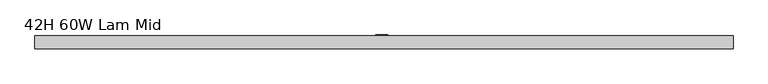
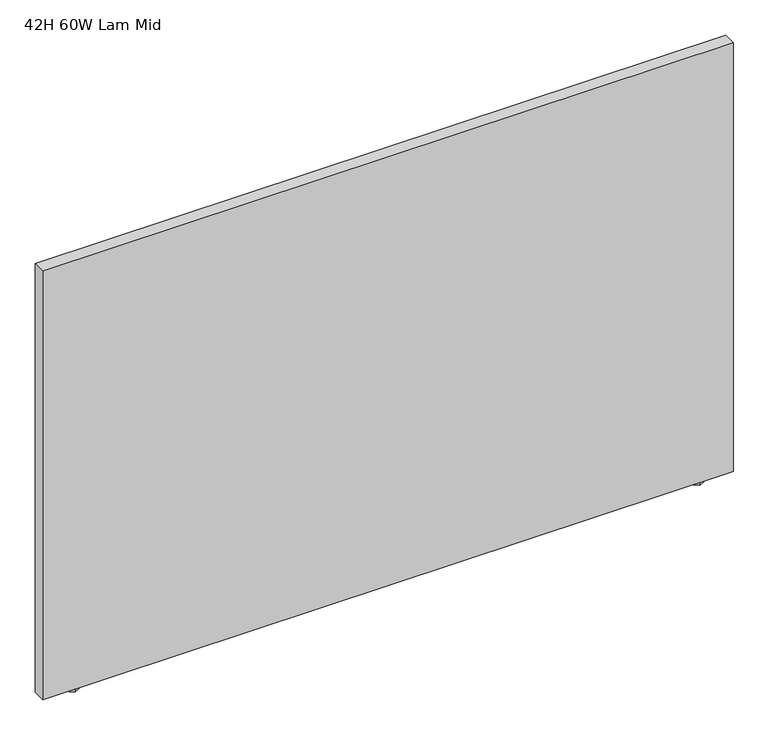
"""IFC4 building model written with IfcOpenShell, lengths in millimetres: furniture geometry, 42H 60W Lam Mid."""

from ifc_helpers import new_model, si_unit, frame, origin, origin_with_axes, place, context, project, spatial, polyline, outline, extrude, source, transform, mapped, element, save


def furniture_42h_60w_lam_mid_1bd55461(model_context):
    return source(origin(), model_context, "Body", "SweptSolid", [
        extrude(outline(polyline([(1536.7, -12.0014999), (1540.8244439, -14.3827499), (1540.8244439, -19.1452499), (1536.7, -21.5264999), (1532.5755515, -19.1452499), (1532.5755515, -14.3827499), (1536.7, -12.0014999)])), frame((0.0, 0.0, 6.2484002), z_axis=(0.0, 0.0, 1.0), x_axis=(1.0, 0.0, 0.0)), (0.0, 0.0, 1.0), 0.7873997),
        extrude(outline(polyline([(1549.4000015, -24.7014992), (1536.7, -31.0514999), (1524.000003, -24.7014992), (1524.000003, -8.8265001), (1536.7, -2.4764999), (1549.4000015, -8.8265001), (1549.4000015, -24.7014992)])), origin_with_axes(), (0.0, 0.0, 1.0), 6.2484002),
        extrude(outline(polyline([(76.2, -12.0014999), (80.3244485, -14.3827499), (80.3244485, -19.1452499), (76.2, -21.5264999), (72.0755561, -19.1452499), (72.0755561, -14.3827499), (76.2, -12.0014999)])), frame((0.0, 0.0, 6.2484002), z_axis=(0.0, 0.0, 1.0), x_axis=(1.0, 0.0, 0.0)), (0.0, 0.0, 1.0), 0.7873997),
        extrude(outline(polyline([(65.4685012, -24.7014992), (65.4685012, -8.8265001), (76.2, -2.4764999), (88.899997, -8.8265001), (88.899997, -24.7014992), (76.2, -31.0514999), (65.4685012, -24.7014992)])), origin_with_axes(), (0.0, 0.0, 1.0), 6.2484002),
        extrude(outline(polyline([(1612.9, -1.778), (1612.9, -31.8008002), (0.0, -31.8008002), (0.0, -1.778), (1612.9, -1.778)])), frame((0.0, 0.0, 7.0357999), z_axis=(0.0, 0.0, 1.0), x_axis=(1.0, 0.0, 0.0)), (0.0, 0.0, 1.0), 1059.7642001),
        extrude(outline(polyline([(815.403499, 0.0), (815.403499, -1.778), (786.8350302, -1.778), (786.8350302, 0.0), (815.403499, 0.0)])), frame((0.0, 0.0, 144.9578035), z_axis=(0.0, 0.0, 1.0), x_axis=(1.0, 0.0, 0.0)), (0.0, 0.0, 1.0), 558.7999725),
    ])


if __name__ == "__main__":
    model = new_model("IFC4")
    model_context = context("Model", 3, world=origin())
    ifc_project = project(units=[si_unit("LENGTHUNIT", "METRE", prefix="MILLI")], contexts=[model_context])
    site = spatial("IfcSite", under=ifc_project)
    building = spatial("IfcBuilding", under=site)
    placement = place(None, origin())
    furniture_42h_60w_lam_mid_shape = furniture_42h_60w_lam_mid_1bd55461(model_context)
    element("IfcFurniture", 1, ObjectType="42H 60W Lam Mid", at=placement, inside=building, context=model_context, shape_type="MappedRepresentation", body=[
        mapped(furniture_42h_60w_lam_mid_shape, transform((0.0, 0.0, 0.0), x_axis=(1.0, 0.0, 0.0), y_axis=(0.0, 1.0, 0.0), z_axis=(0.0, 0.0, 1.0))),
    ])
    save(model, "model.ifc")
